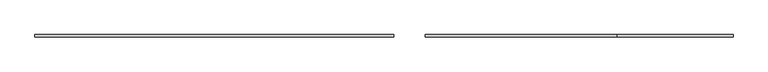
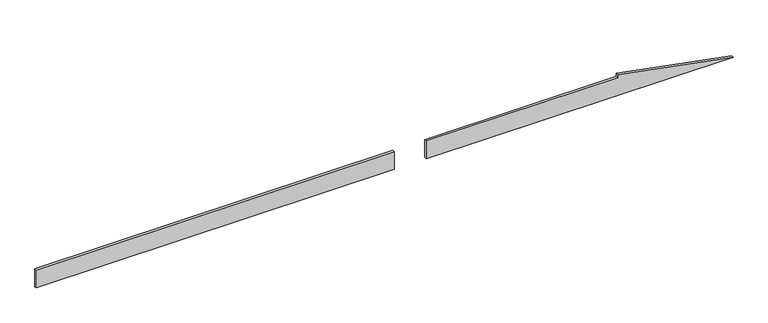
"""IFC4 building model written with IfcOpenShell, lengths in millimetres: plate geometry."""

from ifc_helpers import new_model, si_unit, frame, origin, origin_with_axes, place, context, project, spatial, polyline, outline, extrude, source, transform, mapped, element, save


def plate_0d564743(model_context):
    return source(origin(), model_context, "Body", "SweptSolid", [
        extrude(outline(polyline([(76.0198754, 20.0), (-2760.617822, 20.0), (-2760.617822, 40.0), (76.0198754, 40.0), (76.0198754, 20.0)])), origin_with_axes(), (0.0, 0.0, 1.0), 150.0),
        extrude(outline(polyline([(0.0, 328.1073517), (0.0, 2760.617822), (175.0, 1845.8450947), (150.0, 1845.8450947), (150.0, 328.1073517), (0.0, 328.1073517)])), frame((0.0, 20.0, 0.0), z_axis=(0.0, 1.0, 0.0), x_axis=(0.0, 0.0, 1.0)), (0.0, 0.0, 1.0), 20.0),
    ])


if __name__ == "__main__":
    model = new_model("IFC4")
    model_context = context("Model", 3, world=origin())
    ifc_project = project(units=[si_unit("LENGTHUNIT", "METRE", prefix="MILLI")], contexts=[model_context])
    site = spatial("IfcSite", under=ifc_project)
    building = spatial("IfcBuilding", under=site)
    placement = place(None, origin())
    plate_shape = plate_0d564743(model_context)
    element("IfcPlate", 1, at=placement, inside=building, context=model_context, shape_type="MappedRepresentation", body=[
        mapped(plate_shape, transform((0.0, 0.0, 0.0), x_axis=(1.0, 0.0, 0.0), y_axis=(0.0, 1.0, 0.0), z_axis=(0.0, 0.0, 1.0))),
    ])
    save(model, "model.ifc")
